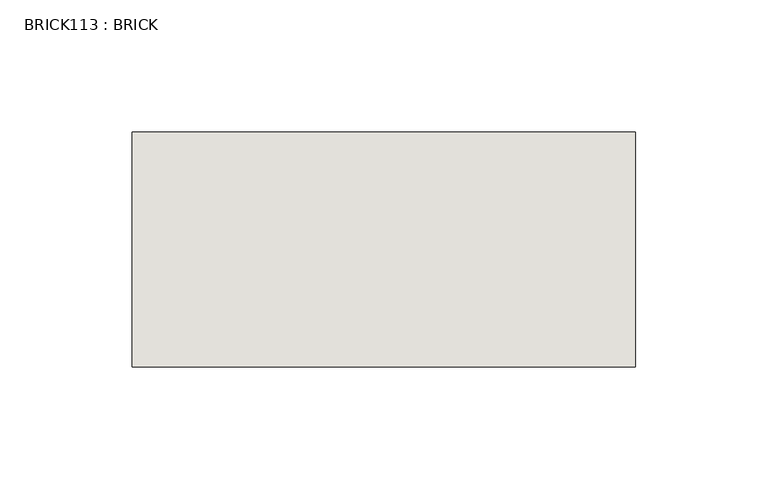
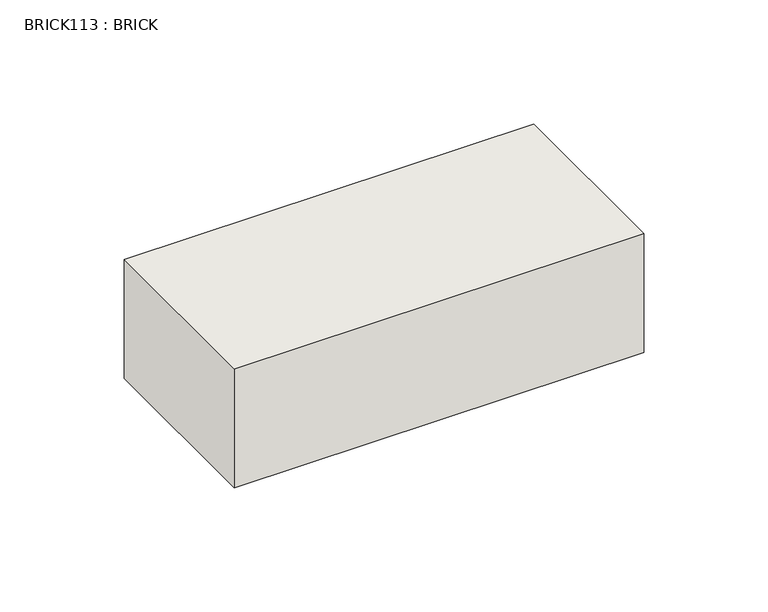
"""IFC4 building model written with IfcOpenShell, lengths in millimetres: wall geometry, BRICK113 : BRICK."""

from ifc_helpers import new_model, si_unit, frame, origin, place, context, project, spatial, polyline, outline, extrude, source, transform, mapped, element, save


def brick113_brick_f800063f(model_context):
    return source(origin(), model_context, "Body", "SweptSolid", [
        extrude(outline(polyline([(834.8530711, 2586.2274125), (1025.3530711, 2586.2274125), (1025.3530711, 2497.3274125), (834.8530711, 2497.3274125), (834.8530711, 2586.2274125)])), frame((0.0, 0.0, 493.4148438), z_axis=(0.0, 0.0, 1.0), x_axis=(1.0, 0.0, 0.0)), (0.0, 0.0, 1.0), 58.4398437),
    ])


if __name__ == "__main__":
    model = new_model("IFC4")
    model_context = context("Model", 3, world=origin())
    ifc_project = project(units=[si_unit("LENGTHUNIT", "METRE", prefix="MILLI")], contexts=[model_context])
    site = spatial("IfcSite", under=ifc_project)
    building = spatial("IfcBuilding", under=site)
    placement = place(None, origin())
    brick113_brick_shape = brick113_brick_f800063f(model_context)
    element("IfcWall", 1, ObjectType="BRICK113 : BRICK", at=placement, inside=building, context=model_context, shape_type="MappedRepresentation", body=[
        mapped(brick113_brick_shape, transform((0.0, 0.0, 0.0), x_axis=(1.0, 0.0, 0.0), y_axis=(0.0, 1.0, 0.0), z_axis=(0.0, 0.0, 1.0))),
    ])
    save(model, "model.ifc")
